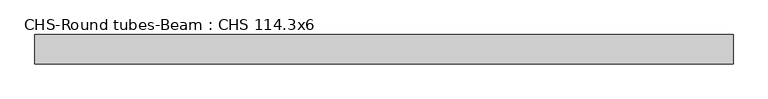
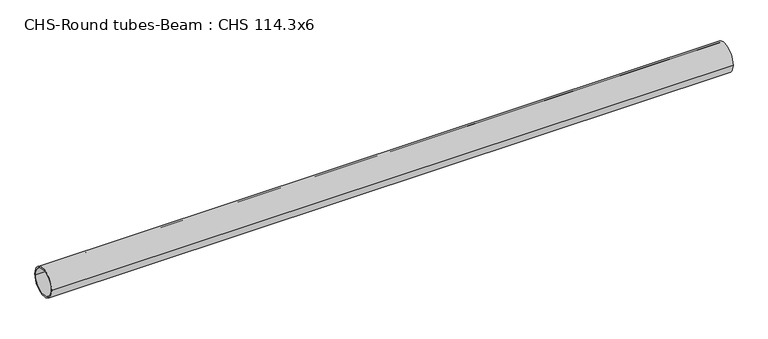
"""IFC4 building model written with IfcOpenShell, lengths in millimetres: beam geometry, CHS-Round tubes-Beam : CHS 114.3x6."""

from ifc_helpers import new_model, si_unit, point, frame, origin, origin_2d, place, context, project, spatial, circle_curve, trimmed, segment, composite_curve, outline, extrude, source, transform, mapped, element, save


def chs_round_tubes_beam_chs_114_3x6_5abbde32(model_context):
    return source(origin(), model_context, "Body", "SweptSolid", [
        extrude(outline(composite_curve([segment(trimmed(circle_curve(origin_2d(), 57.15), [point((57.15, 0.0))], [point((-57.15, 0.0))], False, "CARTESIAN"), True, "CONTINUOUS"), segment(trimmed(circle_curve(origin_2d(), 57.15), [point((-57.15, 0.0))], [point((57.15, 0.0))], False, "CARTESIAN"), True, "CONTINUOUS")], self_intersect=False), holes=[composite_curve([segment(trimmed(circle_curve(origin_2d(), 51.15), [point((51.15, 0.0))], [point((-51.15, 0.0))], True, "CARTESIAN"), True, "CONTINUOUS"), segment(trimmed(circle_curve(origin_2d(), 51.15), [point((-51.15, 0.0))], [point((51.15, 0.0))], True, "CARTESIAN"), True, "CONTINUOUS")], self_intersect=False)]), frame((-1356.700287, 0.0, 0.0), z_axis=(1.0, 0.0, 0.0), x_axis=(0.0, 1.0, 0.0)), (0.0, 0.0, 1.0), 2700.0794181),
    ])


if __name__ == "__main__":
    model = new_model("IFC4")
    model_context = context("Model", 3, world=origin())
    ifc_project = project(units=[si_unit("LENGTHUNIT", "METRE", prefix="MILLI")], contexts=[model_context])
    site = spatial("IfcSite", under=ifc_project)
    building = spatial("IfcBuilding", under=site)
    placement = place(None, origin())
    chs_round_tubes_beam_chs_114_3x6_shape = chs_round_tubes_beam_chs_114_3x6_5abbde32(model_context)
    element("IfcBeam", 1, ObjectType="CHS-Round tubes-Beam : CHS 114.3x6", at=placement, inside=building, context=model_context, shape_type="MappedRepresentation", body=[
        mapped(chs_round_tubes_beam_chs_114_3x6_shape, transform((0.0, 0.0, 0.0), x_axis=(1.0, 0.0, 0.0), y_axis=(0.0, 1.0, 0.0), z_axis=(0.0, 0.0, 1.0))),
    ])
    save(model, "model.ifc")
